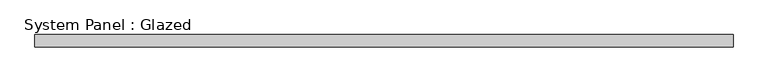
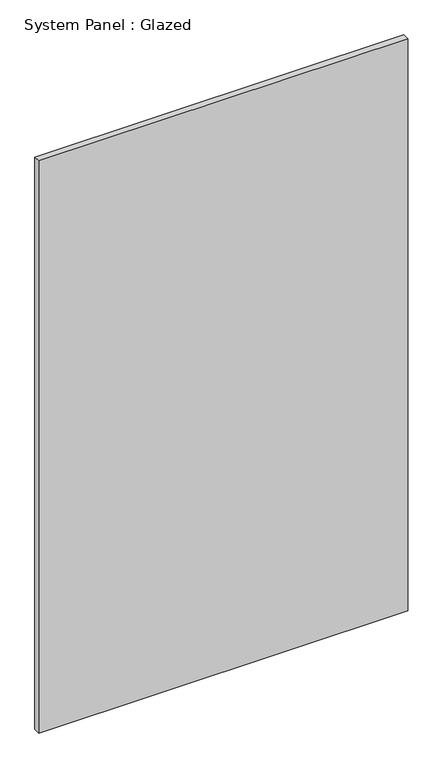
"""IFC4 building model written with IfcOpenShell, lengths in millimetres: plate geometry, System Panel : Glazed."""

from ifc_helpers import new_model, si_unit, origin, origin_with_axes, place, context, project, spatial, polyline, outline, extrude, source, transform, mapped, element, save


def system_panel_glazed_adb83807(model_context):
    return source(origin(), model_context, "Body", "SweptSolid", [
        extrude(outline(polyline([(714.375, -44.45), (-714.375, -44.45), (-714.375, -19.05), (714.375, -19.05), (714.375, -44.45)])), origin_with_axes(), (0.0, 0.0, 1.0), 2343.15),
    ])


if __name__ == "__main__":
    model = new_model("IFC4")
    model_context = context("Model", 3, world=origin())
    ifc_project = project(units=[si_unit("LENGTHUNIT", "METRE", prefix="MILLI")], contexts=[model_context])
    site = spatial("IfcSite", under=ifc_project)
    building = spatial("IfcBuilding", under=site)
    placement = place(None, origin())
    system_panel_glazed_shape = system_panel_glazed_adb83807(model_context)
    element("IfcPlate", 1, ObjectType="System Panel : Glazed", at=placement, inside=building, context=model_context, shape_type="MappedRepresentation", body=[
        mapped(system_panel_glazed_shape, transform((0.0, 0.0, 0.0), x_axis=(1.0, 0.0, 0.0), y_axis=(0.0, 1.0, 0.0), z_axis=(0.0, 0.0, 1.0))),
    ])
    save(model, "model.ifc")
